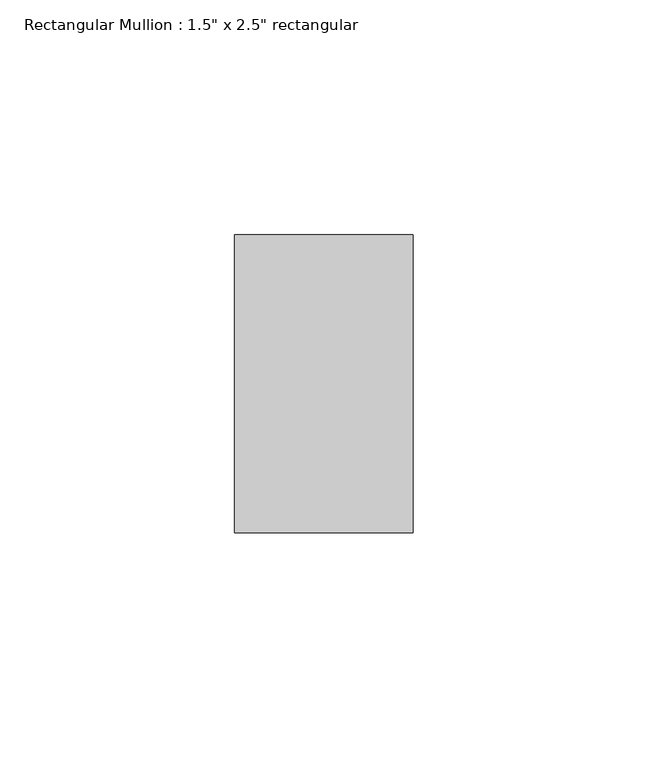
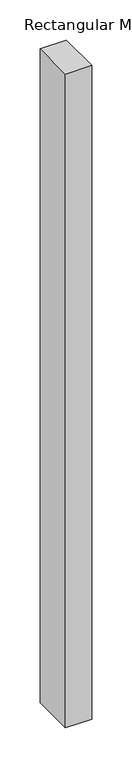
"""IFC4 building model written with IfcOpenShell, lengths in millimetres: member geometry."""

from ifc_helpers import new_model, si_unit, frame, origin, place, context, project, spatial, polyline, outline, extrude, source, transform, mapped, element, save


def member_c1ab548f(model_context):
    return source(origin(), model_context, "Body", "SweptSolid", [
        extrude(outline(polyline([(19.05, -19.05), (19.05, -82.55), (-19.05, -82.55), (-19.05, -19.05), (19.05, -19.05)])), frame((0.0, 0.0, -996.95), z_axis=(0.0, 0.0, 1.0), x_axis=(1.0, 0.0, 0.0)), (0.0, 0.0, 1.0), 996.95),
    ])


if __name__ == "__main__":
    model = new_model("IFC4")
    model_context = context("Model", 3, world=origin())
    ifc_project = project(units=[si_unit("LENGTHUNIT", "METRE", prefix="MILLI")], contexts=[model_context])
    site = spatial("IfcSite", under=ifc_project)
    building = spatial("IfcBuilding", under=site)
    placement = place(None, origin())
    member_shape = member_c1ab548f(model_context)
    element("IfcMember", 1, ObjectType="Rectangular Mullion : 1.5\" x 2.5\" rectangular", at=placement, inside=building, context=model_context, shape_type="MappedRepresentation", body=[
        mapped(member_shape, transform((0.0, 0.0, 0.0), x_axis=(1.0, 0.0, 0.0), y_axis=(0.0, 1.0, 0.0), z_axis=(0.0, 0.0, 1.0))),
    ])
    save(model, "model.ifc")
